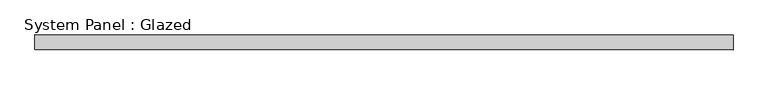
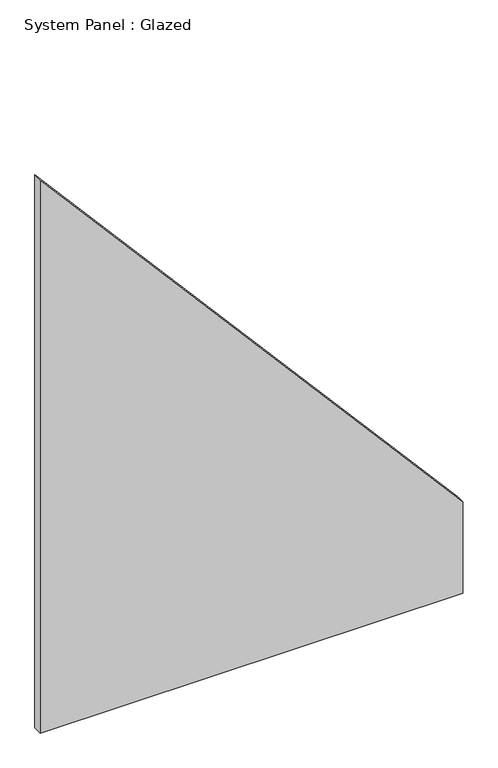
"""IFC4 building model written with IfcOpenShell, lengths in millimetres: plate geometry, System Panel : Glazed."""

from ifc_helpers import new_model, si_unit, frame, origin, place, context, project, spatial, polyline, outline, extrude, source, transform, mapped, element, save


def system_panel_glazed_27ab8e59(model_context):
    return source(origin(), model_context, "Body", "SweptSolid", [
        extrude(outline(polyline([(0.0, -580.0), (0.0, 580.0), (265.022175, 580.0), (1604.4747995, -580.0), (0.0, -580.0)])), frame((0.0, 24.5, 0.0), z_axis=(0.0, 1.0, 0.0), x_axis=(0.0, 0.0, 1.0)), (0.0, 0.0, 1.0), 25.0),
    ])


if __name__ == "__main__":
    model = new_model("IFC4")
    model_context = context("Model", 3, world=origin())
    ifc_project = project(units=[si_unit("LENGTHUNIT", "METRE", prefix="MILLI")], contexts=[model_context])
    site = spatial("IfcSite", under=ifc_project)
    building = spatial("IfcBuilding", under=site)
    placement = place(None, origin())
    system_panel_glazed_shape = system_panel_glazed_27ab8e59(model_context)
    element("IfcPlate", 1, ObjectType="System Panel : Glazed", at=placement, inside=building, context=model_context, shape_type="MappedRepresentation", body=[
        mapped(system_panel_glazed_shape, transform((0.0, 0.0, 0.0), x_axis=(1.0, 0.0, 0.0), y_axis=(0.0, 1.0, 0.0), z_axis=(0.0, 0.0, 1.0))),
    ])
    save(model, "model.ifc")
